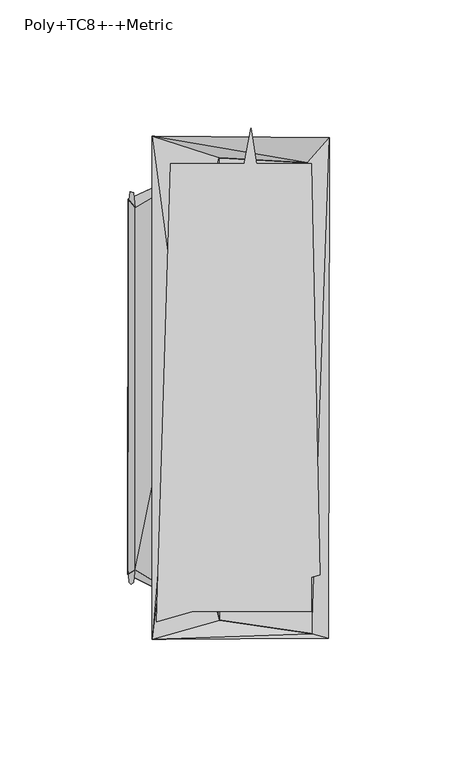
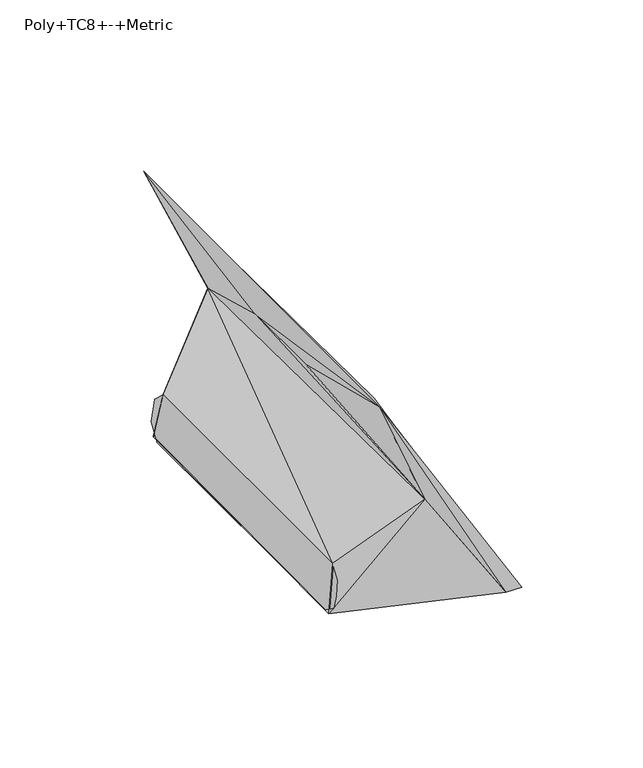
"""IFC4 building model written with IfcOpenShell, lengths in millimetres: furniture geometry, Poly+TC8+-+Metric."""

from ifc_helpers import new_model, si_unit, origin, place, context, project, spatial, triangles, source, transform, mapped, element, save


def poly_tc8_metric_8836f895(model_context):
    return source(origin(), model_context, "Body", "Tessellation", [
        triangles([(-35.4785098, -62.5000005, 0.6043027), (31.1706106, 62.4999687, 0.7066285), (31.1705924, -62.5000141, 0.9735742), (-35.478494, 62.4999778, 0.8281066), (-28.3277563, -91.5344019, 119.6851637), (32.2528937, 87.4999643, 15.4990381), (-22.8155178, 87.4999643, 110.210415), (35.4403854, -73.1617225, 10.0168055), (8.5896141, 101.4974838, 56.1947894), (-3.6367625, -90.9417601, 59.2587376), (-36.6951825, -71.256847, 26.3320387), (-39.5878543, -72.9933961, 2.6758476), (-3.8621203, 89.7793128, 57.3339186), (-39.4421646, 73.7016105, 3.8671822), (-36.6646429, 70.3817459, 26.5816487), (32.3417123, -96.1955455, 2.384873), (30.7240149, 87.8759952, 3.6234713), (-19.8635859, 22.5827013, 90.2662926), (-20.8714118, -21.0731028, 91.9994717), (-30.0603358, 98.2059333, 120.9325167), (-30.0592344, -98.5465466, 120.3275481), (38.944398, -98.0828849, 3.950296), (39.1573346, 97.6212488, 3.5352587), (-36.68455, 70.2654331, 26.4188544), (-36.6845659, -70.2654876, 26.4188385), (-39.5498797, -70.3160477, 2.986411), (-37.3717855, -76.1825274, 20.798928), (-39.0382649, -76.2361715, 7.1704664), (-38.2645657, -77.0320168, 13.4977908), (32.2527256, -87.5000188, 15.4989359), (-22.8177092, -87.5000188, 110.2091341), (-37.3717627, 76.1825002, 20.7989462), (-39.5498661, 70.3160159, 2.9864175), (-38.7546475, 76.5278506, 9.4896937)], [[1, 2, 3], [2, 1, 4], [5, 6, 7], [8, 5, 9], [8, 6, 5], [10, 11, 12], [13, 14, 15], [10, 12, 16], [13, 17, 14], [18, 13, 10], [18, 10, 19], [20, 17, 13], [20, 18, 21], [18, 20, 13], [21, 18, 19], [21, 19, 10], [21, 10, 16], [13, 10, 17], [17, 10, 16], [13, 11, 10], [11, 13, 15], [16, 12, 17], [17, 12, 14], [16, 22, 21], [16, 23, 22], [23, 16, 17], [23, 17, 20], [24, 25, 26], [25, 27, 26], [27, 28, 26], [27, 29, 28], [7, 6, 30], [30, 31, 7], [32, 33, 34], [32, 24, 33], [24, 26, 33]], closed=False),
        triangles([(-22.8155178, 87.4999643, 110.210415), (32.2527256, -87.5000188, 15.4989359), (32.2528937, 87.4999643, 15.4990381), (-22.8177092, -87.5000188, 110.2091341)], [[1, 2, 3], [2, 1, 4]], closed=False),
        triangles([(-36.6858694, -42.1812235, 26.4082241), (-39.5367582, 70.3722625, 3.0935671), (-39.5433667, -70.3825953, 3.0396559)], [[1, 2, 3]], closed=False),
        triangles([(-28.3277563, -91.5344019, 119.6851637), (-22.8155178, 87.4999643, 110.210415), (32.2528937, 87.4999643, 15.4990381), (35.4403854, -73.1617225, 10.0168055), (8.5896141, 101.4974838, 56.1947894)], [[1, 2, 3], [4, 5, 1], [4, 1, 3]], closed=False),
    ])


if __name__ == "__main__":
    model = new_model("IFC4")
    model_context = context("Model", 3, world=origin())
    ifc_project = project(units=[si_unit("LENGTHUNIT", "METRE", prefix="MILLI")], contexts=[model_context])
    site = spatial("IfcSite", under=ifc_project)
    building = spatial("IfcBuilding", under=site)
    placement = place(None, origin())
    poly_tc8_metric_shape = poly_tc8_metric_8836f895(model_context)
    element("IfcFurniture", 1, ObjectType="Poly+TC8+-+Metric", at=placement, inside=building, context=model_context, shape_type="MappedRepresentation", body=[
        mapped(poly_tc8_metric_shape, transform((0.0, 0.0, 0.0), x_axis=(1.0, 0.0, 0.0), y_axis=(0.0, 1.0, 0.0), z_axis=(0.0, 0.0, 1.0))),
    ])
    save(model, "model.ifc")
